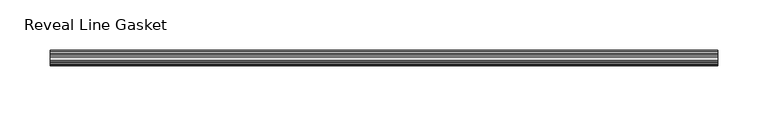
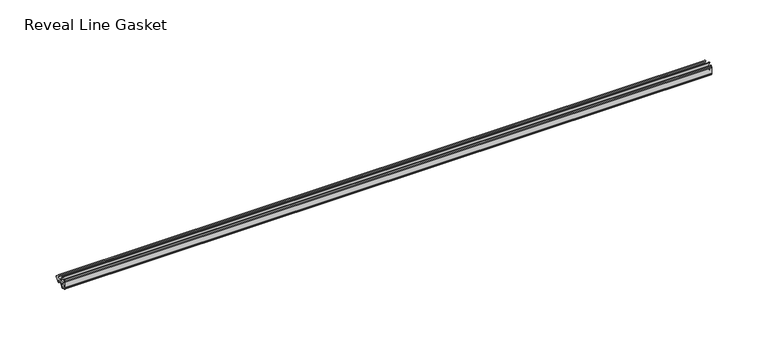
"""IFC4 building model written with IfcOpenShell, lengths in millimetres: furniture geometry, Reveal Line Gasket."""

from ifc_helpers import new_model, si_unit, point, frame, frame_2d, origin, place, context, project, spatial, polyline, circle_curve, trimmed, segment, composite_curve, outline, extrude, source, transform, mapped, element, save


def reveal_line_gasket_9f5ffe88(model_context):
    return source(origin(), model_context, "Body", "SweptSolid", [
        extrude(outline(composite_curve([segment(polyline([(-7.6326998, 1603.2), (-7.4091917, 1604.1554927), (-6.8813059, 1605.0884684)]), True, "CONTINUOUS"), segment(trimmed(circle_curve(frame_2d((-6.5243141, 1604.8864793)), 0.4101739), [point((-6.8813059, 1605.0884684))], [point((-6.1246704, 1604.7941347))], False, "CARTESIAN"), True, "CONTINUOUS"), segment(polyline([(-6.1246704, 1604.7941347), (-6.3626997, 1603.0979086), (-6.3626997, 1601.0654527)]), True, "CONTINUOUS"), segment(trimmed(circle_curve(frame_2d((-5.6959605, 1601.4819258)), 0.786124), [point((-6.3626997, 1601.0654527))], [point((-5.0926996, 1600.977875))], True, "CARTESIAN"), True, "CONTINUOUS"), segment(polyline([(-5.0926996, 1600.977875), (-0.7492996, 1600.977875), (-3.7293824, 1606.1395295)]), True, "CONTINUOUS"), segment(trimmed(circle_curve(frame_2d((-3.3132479, 1606.2049761)), 0.4212495), [point((-3.7293824, 1606.1395295))], [point((-3.0485022, 1606.5326358))], False, "CARTESIAN"), True, "CONTINUOUS"), segment(polyline([(-3.0485022, 1606.5326358), (0.5742594, 1600.977875), (4.8262978, 1600.977875), (3.1660374, 1603.8535297)]), True, "CONTINUOUS"), segment(trimmed(circle_curve(frame_2d((3.5978728, 1603.9118855)), 0.4357605), [point((3.1660374, 1603.8535297))], [point((3.864328, 1604.2566881))], False, "CARTESIAN"), True, "CONTINUOUS"), segment(polyline([(3.864328, 1604.2566881), (6.1944059, 1600.977875), (7.6326998, 1600.977875), (7.6326998, 1599.422125), (6.1944059, 1599.422125), (3.864328, 1596.1433119)]), True, "CONTINUOUS"), segment(trimmed(circle_curve(frame_2d((3.5978728, 1596.4881145)), 0.4357605), [point((3.864328, 1596.1433119))], [point((3.1660374, 1596.5464703))], False, "CARTESIAN"), True, "CONTINUOUS"), segment(polyline([(3.1660374, 1596.5464703), (4.8262978, 1599.422125), (0.5742594, 1599.422125), (-3.0485022, 1593.8673642)]), True, "CONTINUOUS"), segment(trimmed(circle_curve(frame_2d((-3.3132479, 1594.1950239)), 0.4212495), [point((-3.0485022, 1593.8673642))], [point((-3.7293824, 1594.2604705))], False, "CARTESIAN"), True, "CONTINUOUS"), segment(polyline([(-3.7293824, 1594.2604705), (-0.7492996, 1599.422125), (-5.0926996, 1599.422125)]), True, "CONTINUOUS"), segment(trimmed(circle_curve(frame_2d((-5.6959605, 1598.9180742)), 0.786124), [point((-5.0926996, 1599.422125))], [point((-6.3626997, 1599.3345473))], True, "CARTESIAN"), True, "CONTINUOUS"), segment(polyline([(-6.3626997, 1599.3345473), (-6.3626997, 1597.3020914), (-6.1246704, 1595.6058653)]), True, "CONTINUOUS"), segment(trimmed(circle_curve(frame_2d((-6.5243141, 1595.5135207)), 0.4101739), [point((-6.1246704, 1595.6058653))], [point((-6.8813059, 1595.3115316))], False, "CARTESIAN"), True, "CONTINUOUS"), segment(polyline([(-6.8813059, 1595.3115316), (-7.4091917, 1596.2445073), (-7.6326998, 1597.2), (-7.6326998, 1603.2)]), True, "CONTINUOUS")], self_intersect=False)), frame((-332.4603284, 0.0, 0.0), z_axis=(1.0, 0.0, 0.0), x_axis=(0.0, 1.0, 0.0)), (0.0, 0.0, 1.0), 664.9206568),
    ])


if __name__ == "__main__":
    model = new_model("IFC4")
    model_context = context("Model", 3, world=origin())
    ifc_project = project(units=[si_unit("LENGTHUNIT", "METRE", prefix="MILLI")], contexts=[model_context])
    site = spatial("IfcSite", under=ifc_project)
    building = spatial("IfcBuilding", under=site)
    placement = place(None, origin())
    reveal_line_gasket_shape = reveal_line_gasket_9f5ffe88(model_context)
    element("IfcFurniture", 1, ObjectType="Reveal Line Gasket", at=placement, inside=building, context=model_context, shape_type="MappedRepresentation", body=[
        mapped(reveal_line_gasket_shape, transform((0.0, 0.0, 0.0), x_axis=(1.0, 0.0, 0.0), y_axis=(0.0, 1.0, 0.0), z_axis=(0.0, 0.0, 1.0))),
    ])
    save(model, "model.ifc")
